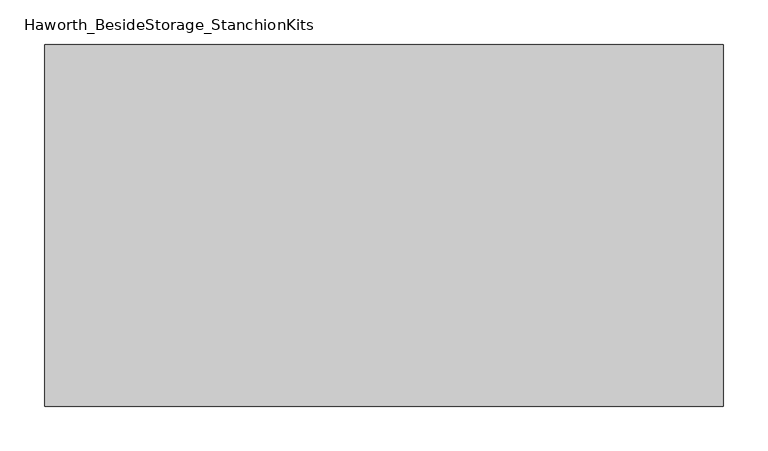
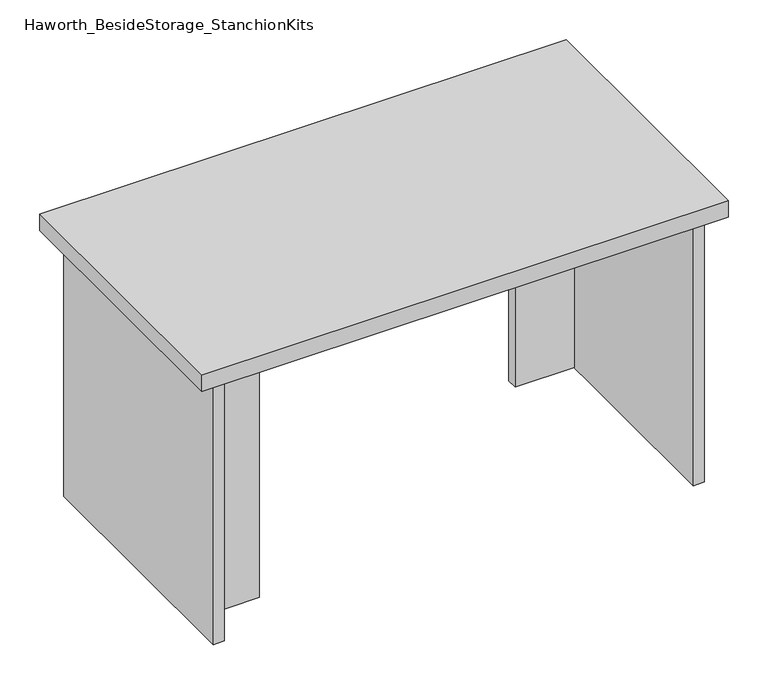
"""IFC4 building model written with IfcOpenShell, lengths in millimetres: furniture geometry, Haworth_BesideStorage_StanchionKits."""

import ifcopenshell
import ifcopenshell.guid

model = None  # the IFC model being written
_history = None  # IfcOwnerHistory: only IFC2X3 demands one
_inside = {}  # id of a spatial element -> (the spatial element, [elements in it])
_under = {}  # id of a project, library or spatial element -> (it, [spatial elements below it])
_declared = {}  # id of a project -> (the project, [libraries it declares])
_typed = {}  # id of a type object -> (the type object, [elements of that type])
_made_of = {}  # id of a material, layer set ... -> (it, [elements and type objects made of it])


def new_model(schema):
    """Start an empty IFC model of exactly this schema.

    Asked for "IFC4X3", IfcOpenShell would pick the latest addendum, in which some entities
    have other attributes; the version numbers below select the first issue.
    IFC2X3 requires an IfcOwnerHistory on every rooted entity: one is made here for all.
    """
    global model, _history
    if schema == "IFC4X3":
        model = ifcopenshell.file(schema_version=(4, 3, 0, 0))
    else:
        model = ifcopenshell.file(schema=schema)
    _inside.clear()
    _under.clear()
    _declared.clear()
    _typed.clear()
    _made_of.clear()
    _history = None
    if model.schema == "IFC2X3":
        org = make("IfcOrganization", Name="unknown")
        user = make(
            "IfcPersonAndOrganization",
            ThePerson=make("IfcPerson", FamilyName="unknown"),
            TheOrganization=org,
        )
        app = make(
            "IfcApplication",
            ApplicationDeveloper=org,
            Version="unknown",
            ApplicationFullName="unknown",
            ApplicationIdentifier="unknown",
        )
        _history = make(
            "IfcOwnerHistory",
            OwningUser=user,
            OwningApplication=app,
            ChangeAction="ADDED",
            CreationDate=0,
        )
    return model


def make(cls, **values):
    """One entity of the class cls with the attributes given. An attribute that is None is left unset."""
    return model.create_entity(
        cls, **{name: value for name, value in values.items() if value is not None}
    )


def rooted(cls, **values):
    """An entity with a GlobalId (a new one), such as an element, a storey or a relation."""
    return make(cls, GlobalId=ifcopenshell.guid.new(), OwnerHistory=_history, **values)


def si_unit(unit_type, name, prefix=None):
    """IfcSIUnit, for example si_unit("LENGTHUNIT", "METRE", prefix="MILLI")."""
    return make("IfcSIUnit", UnitType=unit_type, Prefix=prefix, Name=name)


def assignment(units):
    """IfcUnitAssignment: the units of a project."""
    return None if units is None else make("IfcUnitAssignment", Units=units)


def point(xyz):
    """IfcCartesianPoint."""
    return None if xyz is None else make("IfcCartesianPoint", Coordinates=xyz)


def direction(xyz):
    """IfcDirection."""
    return None if xyz is None else make("IfcDirection", DirectionRatios=xyz)


def frame(location, z_axis=None, x_axis=None):
    """IfcAxis2Placement3D, a coordinate frame: its origin and axes. An axis left out is left unset."""
    return make(
        "IfcAxis2Placement3D",
        Location=point(location),
        Axis=direction(z_axis),
        RefDirection=direction(x_axis),
    )


def origin():
    """The frame at (0, 0, 0) with its axes left unset."""
    return frame((0.0, 0.0, 0.0))


def place(relative_to, where):
    """IfcLocalPlacement: puts the frame where relative to a parent placement (None: the world)."""
    return make(
        "IfcLocalPlacement", PlacementRelTo=relative_to, RelativePlacement=where
    )


def context(
    kind, dimensions, precision=None, world=None, true_north=None, identifier=None
):
    """IfcGeometricRepresentationContext, for example the 3D "Model" context."""
    return make(
        "IfcGeometricRepresentationContext",
        ContextIdentifier=identifier,
        ContextType=kind,
        CoordinateSpaceDimension=dimensions,
        Precision=precision,
        WorldCoordinateSystem=world,
        TrueNorth=true_north,
    )


def project(units=None, contexts=None):
    """IfcProject with its units and contexts."""
    return rooted(
        "IfcProject",
        Name="project",
        RepresentationContexts=contexts,
        UnitsInContext=assignment(units),
    )


def spatial(cls, under=None, at=None, **own):
    """A site, building, storey or space (cls), placed at a placement, below another one or the project."""
    s = rooted(cls, ObjectPlacement=at, **own)
    if under is not None:
        _under.setdefault(under.id(), (under, []))[1].append(s)
    return s


def polyline(points):
    """IfcPolyline through the points."""
    return make("IfcPolyline", Points=[point(p) for p in points])


def outline(outer, holes=None, kind="AREA"):
    """IfcArbitraryClosedProfileDef: a profile drawn as a closed curve; with holes, ...WithVoids."""
    if holes is None:
        return make("IfcArbitraryClosedProfileDef", ProfileType=kind, OuterCurve=outer)
    return make(
        "IfcArbitraryProfileDefWithVoids",
        ProfileType=kind,
        OuterCurve=outer,
        InnerCurves=holes,
    )


def extrude(swept, where, along, depth):
    """IfcExtrudedAreaSolid: the profile swept, set in the frame where, extruded along a direction by depth."""
    return make(
        "IfcExtrudedAreaSolid",
        SweptArea=swept,
        Position=where,
        ExtrudedDirection=direction(along),
        Depth=depth,
    )


def shape(context_of_items, identifier, shape_type, items):
    """IfcShapeRepresentation: the items that make up one representation, for example the "Body"."""
    return make(
        "IfcShapeRepresentation",
        ContextOfItems=context_of_items,
        RepresentationIdentifier=identifier,
        RepresentationType=shape_type,
        Items=items,
    )


def source(mapping_origin, context_of_items, identifier, shape_type, items):
    """IfcRepresentationMap: a shape defined once, which mapped items show again and again."""
    return make(
        "IfcRepresentationMap",
        MappingOrigin=mapping_origin,
        MappedRepresentation=shape(context_of_items, identifier, shape_type, items),
    )


def transform(
    local_origin,
    x_axis=None,
    y_axis=None,
    z_axis=None,
    scale=None,
    scale2=None,
    scale3=None,
    uniform=True,
):
    """IfcCartesianTransformationOperator3D, or its non-uniform kind. x_axis, y_axis, z_axis: its Axis1, 2, 3."""
    if uniform:
        return make(
            "IfcCartesianTransformationOperator3D",
            Axis1=direction(x_axis),
            Axis2=direction(y_axis),
            LocalOrigin=point(local_origin),
            Scale=scale,
            Axis3=direction(z_axis),
        )
    return make(
        "IfcCartesianTransformationOperator3DnonUniform",
        Axis1=direction(x_axis),
        Axis2=direction(y_axis),
        LocalOrigin=point(local_origin),
        Scale=scale,
        Axis3=direction(z_axis),
        Scale2=scale2,
        Scale3=scale3,
    )


def mapped(mapping_source, mapping_target):
    """IfcMappedItem: shows the shape of a source again, moved by a transform."""
    return make(
        "IfcMappedItem", MappingSource=mapping_source, MappingTarget=mapping_target
    )


def made_of(thing, what):
    """Note that an element or type object is made of a material, layer set ...; save() writes the relation."""
    if what is not None:
        _made_of.setdefault(what.id(), (what, []))[1].append(thing)
    return thing


def element(
    cls,
    number,
    at=None,
    inside=None,
    cuts=None,
    type_object=None,
    material=None,
    context=None,
    identifier="Body",
    shape_type=None,
    held_by="IfcProductDefinitionShape",
    body=None,
    shapes=None,
    **own,
):
    """One element of the class cls, such as IfcWall. Its Tag is "e" and its number.

    at: its placement. inside: the storey or other place that contains it. cuts: it is an
    opening in that element (IfcRelVoidsElement). A single representation is given by context,
    identifier, shape_type and body (its items); several are given by shapes. held_by: the class
    of the entity that holds the representations. save() writes the other relations.
    """
    e = rooted(cls, Tag="e%d" % number, ObjectPlacement=at, **own)
    if body is not None:
        shapes = [shape(context, identifier, shape_type, body)]
    if shapes is not None:
        e.Representation = make(held_by, Representations=shapes)
    if inside is not None:
        _inside.setdefault(inside.id(), (inside, []))[1].append(e)
    if cuts is not None:
        rooted(
            "IfcRelVoidsElement", RelatingBuildingElement=cuts, RelatedOpeningElement=e
        )
    if type_object is not None:
        _typed.setdefault(type_object.id(), (type_object, []))[1].append(e)
    return made_of(e, material)


def aggregate(whole, parts):
    """IfcRelAggregates: a whole, such as a stair, and the parts it consists of."""
    return rooted("IfcRelAggregates", RelatingObject=whole, RelatedObjects=parts)


def save(model, path):
    """Write the relations noted so far, then the file.

    IfcRelAggregates (storeys below a building ...), IfcRelContainedInSpatialStructure (elements
    in a storey), IfcRelDefinesByType, IfcRelAssociatesMaterial and IfcRelDeclares: one each for
    every whole, place, type object, material and project.
    """
    for whole, parts in _under.values():
        aggregate(whole, parts)
    for where, things in _inside.values():
        rooted(
            "IfcRelContainedInSpatialStructure",
            RelatedElements=things,
            RelatingStructure=where,
        )
    for kind, things in _typed.values():
        rooted("IfcRelDefinesByType", RelatedObjects=things, RelatingType=kind)
    for what, things in _made_of.values():
        rooted("IfcRelAssociatesMaterial", RelatedObjects=things, RelatingMaterial=what)
    for by, libraries in _declared.values():
        rooted("IfcRelDeclares", RelatingContext=by, RelatedDefinitions=libraries)
    model.write(path)


def haworth_besidestorage_stanchionkits_794d2af6(model_context):
    return source(origin(), model_context, "Body", "SweptSolid", [
        extrude(outline(polyline([(542.925, 0.0), (542.925, -406.4), (-219.075, -406.4), (-219.075, 0.0), (542.925, 0.0)])), frame((0.0, 0.0, 838.2), z_axis=(0.0, 0.0, 1.0), x_axis=(1.0, 0.0, 0.0)), (0.0, 0.0, 1.0), 25.4),
        extrude(outline(polyline([(415.925, -76.2), (501.65, -76.2), (501.65, -92.075), (415.925, -92.075), (415.925, -76.2)])), frame((0.0, 0.0, 431.8), z_axis=(0.0, 0.0, 1.0), x_axis=(1.0, 0.0, 0.0)), (0.0, 0.0, 1.0), 406.4),
        extrude(outline(polyline([(-92.075, -314.325), (-92.075, -330.2), (-177.8, -330.2), (-177.8, -314.325), (-92.075, -314.325)])), frame((0.0, 0.0, 431.8), z_axis=(0.0, 0.0, 1.0), x_axis=(1.0, 0.0, 0.0)), (0.0, 0.0, 1.0), 406.4),
        extrude(outline(polyline([(517.525, -390.525), (501.65, -390.525), (501.65, -15.875), (517.525, -15.875), (517.525, -390.525)])), frame((0.0, 0.0, 431.8), z_axis=(0.0, 0.0, 1.0), x_axis=(1.0, 0.0, 0.0)), (0.0, 0.0, 1.0), 406.4),
        extrude(outline(polyline([(-177.8, -390.525), (-193.675, -390.525), (-193.675, -15.875), (-177.8, -15.875), (-177.8, -390.525)])), frame((0.0, 0.0, 431.8), z_axis=(0.0, 0.0, 1.0), x_axis=(1.0, 0.0, 0.0)), (0.0, 0.0, 1.0), 406.4),
    ])


if __name__ == "__main__":
    model = new_model("IFC4")
    model_context = context("Model", 3, world=origin())
    ifc_project = project(units=[si_unit("LENGTHUNIT", "METRE", prefix="MILLI")], contexts=[model_context])
    site = spatial("IfcSite", under=ifc_project)
    building = spatial("IfcBuilding", under=site)
    placement = place(None, origin())
    haworth_besidestorage_stanchionkits_shape = haworth_besidestorage_stanchionkits_794d2af6(model_context)
    element("IfcFurniture", 1, ObjectType="Haworth_BesideStorage_StanchionKits", at=placement, inside=building, context=model_context, shape_type="MappedRepresentation", body=[
        mapped(haworth_besidestorage_stanchionkits_shape, transform((0.0, 0.0, 0.0), x_axis=(1.0, 0.0, 0.0), y_axis=(0.0, 1.0, 0.0), z_axis=(0.0, 0.0, 1.0))),
    ])
    save(model, "model.ifc")
